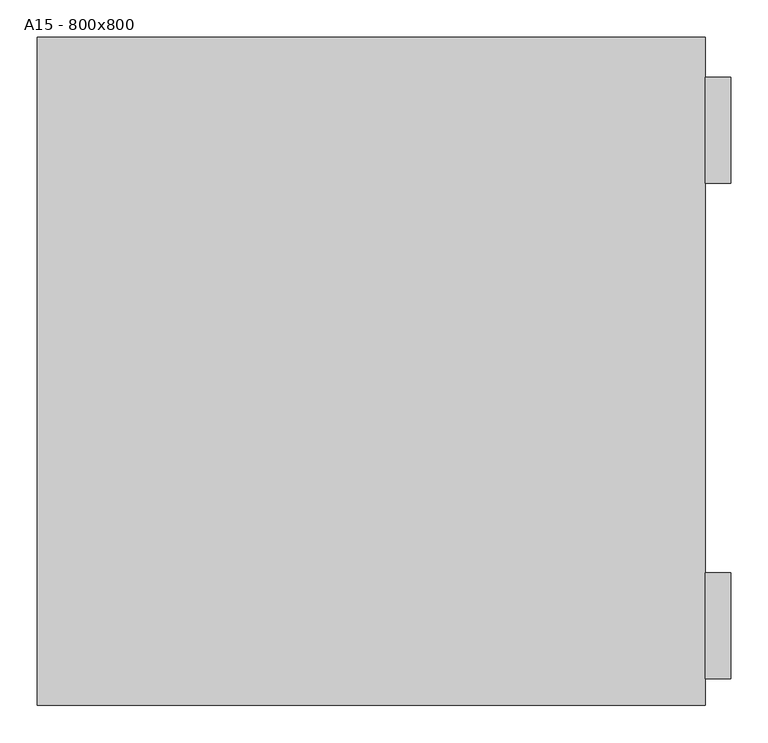
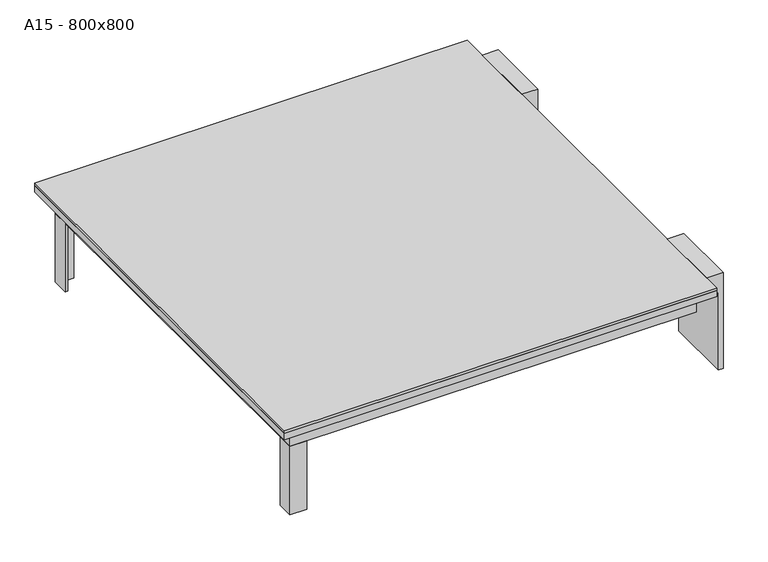
"""IFC4 building model written with IfcOpenShell, lengths in millimetres: proxy geometry, A15 - 800x800."""

from ifc_helpers import new_model, si_unit, frame, origin, place, context, project, spatial, polyline, outline, extrude, faceted_brep, source, transform, mapped, element, save


def a15_800x800_d2df4928(model_context):
    return source(origin(), model_context, "Body", "SolidModel", [
        extrude(outline(polyline([(0.0, 482.0), (0.0, 448.0), (-40.0, 448.0), (-40.0, 472.0), (-210.175026, 472.0), (-210.175026, 482.0), (0.0, 482.0)])), frame((0.0, -412.0, 0.0), z_axis=(0.0, 1.0, 0.0), x_axis=(0.0, 0.0, 1.0)), (0.0, 0.0, 1.0), 142.0),
        extrude(outline(polyline([(0.0, 482.0), (0.0, 448.0), (-40.0, 448.0), (-40.0, 472.0), (-210.175026, 472.0), (-210.175026, 482.0), (0.0, 482.0)])), frame((0.0, 252.5, 0.0), z_axis=(0.0, 1.0, 0.0), x_axis=(0.0, 0.0, 1.0)), (0.0, 0.0, 1.0), 142.0),
        extrude(outline(polyline([(-421.0, 421.0), (-386.0, 421.0), (-386.0, 416.0), (-416.0, 416.0), (-416.0, 386.0), (-421.0, 386.0), (-421.0, 421.0)])), frame((0.0, 0.0, -210.0), z_axis=(0.0, 0.0, 1.0), x_axis=(1.0, 0.0, 0.0)), (0.0, 0.0, 1.0), 150.5),
        extrude(outline(polyline([(-421.0, -421.0), (-421.0, -386.0), (-416.0, -386.0), (-416.0, -416.0), (-386.0, -416.0), (-386.0, -421.0), (-421.0, -421.0)])), frame((0.0, 0.0, -210.0), z_axis=(0.0, 0.0, 1.0), x_axis=(1.0, 0.0, 0.0)), (0.0, 0.0, 1.0), 150.5),
        extrude(outline(polyline([(448.0, 448.0), (448.0, -448.0), (-448.0, -448.0), (-448.0, 448.0), (448.0, 448.0)])), frame((0.0, 0.0, -5.0), z_axis=(0.0, 0.0, 1.0), x_axis=(1.0, 0.0, 0.0)), (0.0, 0.0, 1.0), 5.0),
        faceted_brep([(448.0, 448.0, -19.0), (448.0, 448.0, -5.0), (448.0, -448.0, -5.0), (448.0, -448.0, -19.0), (400.0, 400.0, -57.5), (400.0, 400.0, -59.5), (400.0, -400.0, -59.5), (400.0, -400.0, -57.5), (446.0, 446.0, -5.0), (446.0, 446.0, -17.0), (446.0, -446.0, -17.0), (446.0, -446.0, -5.0), (-448.0, -448.0, -5.0), (-448.0, -448.0, -19.0), (-400.0, -400.0, -59.5), (-400.0, -400.0, -57.5), (-446.0, -446.0, -17.0), (-446.0, -446.0, -5.0), (-448.0, 448.0, -5.0), (-448.0, 448.0, -19.0), (-400.0, 400.0, -59.5), (-400.0, 400.0, -57.5), (-446.0, 446.0, -17.0), (-446.0, 446.0, -5.0), (421.0, -421.0, -59.5), (-421.0, -421.0, -59.5), (-421.0, 421.0, -59.5), (421.0, 421.0, -59.5), (419.0, 419.0, -57.5), (-419.0, 419.0, -57.5), (-419.0, -419.0, -57.5), (419.0, -419.0, -57.5), (421.0, 421.0, -19.0), (421.0, -421.0, -19.0), (419.0, 419.0, -17.0), (419.0, -419.0, -17.0), (-421.0, -421.0, -19.0), (-419.0, -419.0, -17.0), (-421.0, 421.0, -19.0), (-419.0, 419.0, -17.0)], [[[0, 1, 2, 3]], [[4, 5, 6, 7]], [[8, 9, 10, 11]], [[3, 2, 12, 13]], [[7, 6, 14, 15]], [[11, 10, 16, 17]], [[13, 12, 18, 19]], [[15, 14, 20, 21]], [[17, 16, 22, 23]], [[19, 18, 1, 0]], [[24, 25, 26, 27], [5, 20, 14, 6]], [[21, 20, 5, 4]], [[28, 29, 30, 31], [7, 15, 21, 4]], [[23, 22, 9, 8]], [[27, 32, 33, 24]], [[34, 28, 31, 35]], [[24, 33, 36, 25]], [[35, 31, 30, 37]], [[25, 36, 38, 26]], [[37, 30, 29, 39]], [[3, 13, 19, 0], [32, 38, 36, 33]], [[26, 38, 32, 27]], [[39, 29, 28, 34]], [[9, 22, 16, 10], [35, 37, 39, 34]], [[1, 18, 12, 2], [11, 17, 23, 8]]]),
    ])


if __name__ == "__main__":
    model = new_model("IFC4")
    model_context = context("Model", 3, world=origin())
    ifc_project = project(units=[si_unit("LENGTHUNIT", "METRE", prefix="MILLI")], contexts=[model_context])
    site = spatial("IfcSite", under=ifc_project)
    building = spatial("IfcBuilding", under=site)
    placement = place(None, origin())
    a15_800x800_shape = a15_800x800_d2df4928(model_context)
    element("IfcBuildingElementProxy", 1, Name="A15 - 800x800", ObjectType="A15 - 800x800", at=placement, inside=building, context=model_context, shape_type="MappedRepresentation", body=[
        mapped(a15_800x800_shape, transform((0.0, 0.0, 0.0), x_axis=(1.0, 0.0, 0.0), y_axis=(0.0, 1.0, 0.0), z_axis=(0.0, 0.0, 1.0))),
    ])
    save(model, "model.ifc")
